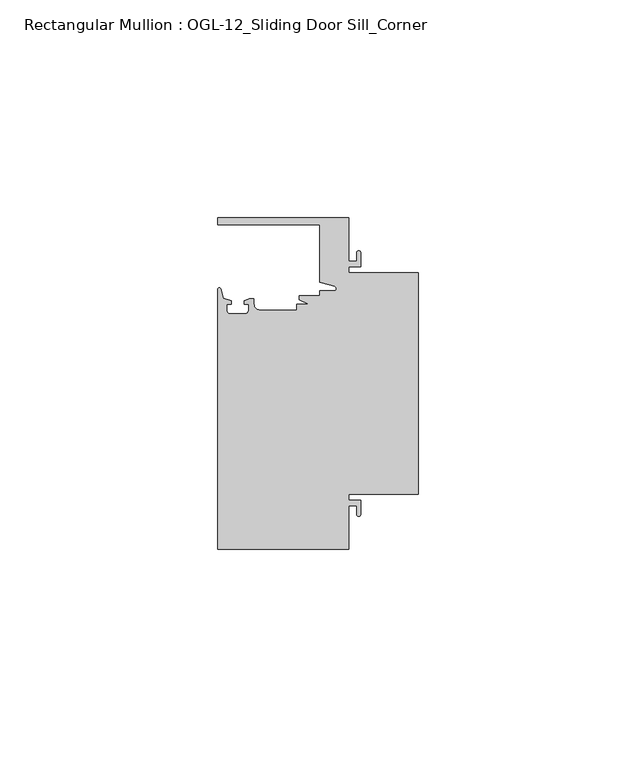
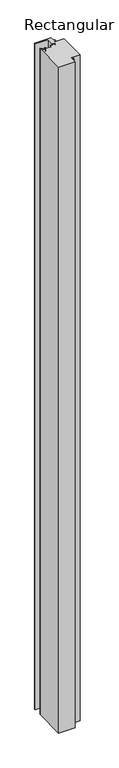
"""IFC4 building model written with IfcOpenShell, lengths in millimetres: member geometry, Rectangular Mullion : OGL-12_Sliding Door Sill_Corner."""

from ifc_helpers import new_model, si_unit, point, frame, frame_2d, origin, place, context, project, spatial, polyline, circle_curve, trimmed, segment, composite_curve, outline, extrude, source, transform, mapped, element, save


def rectangular_mullion_ogl_12_sliding_door_sill_corner_600ad383(model_context):
    return source(origin(), model_context, "Body", "SweptSolid", [
        extrude(outline(composite_curve([segment(polyline([(0.0, -4.7625), (0.0, -55.5625), (-15.934238, -55.5625), (-15.934238, -57.0104425), (-13.2417195, -57.0104425), (-13.2417195, -60.2053503)]), True, "CONTINUOUS"), segment(trimmed(circle_curve(frame_2d((-13.6974747, -60.2053503)), 0.4557552), [point((-13.2417195, -60.2053503))], [point((-14.15323, -60.2053503))], False, "CARTESIAN"), True, "CONTINUOUS"), segment(polyline([(-14.15323, -60.2053503), (-14.15323, -58.2169425), (-15.934238, -58.2169425), (-15.934238, -68.2628208), (-46.0931306, -68.2628208), (-46.0931306, -8.5365859)]), True, "CONTINUOUS"), segment(trimmed(circle_curve(frame_2d((-45.7573546, -8.5365859)), 0.335776), [point((-46.0931306, -8.5365859))], [point((-45.434586, -8.4440335))], False, "CARTESIAN"), True, "CONTINUOUS"), segment(polyline([(-45.434586, -8.4440335), (-44.83413, -10.5380726), (-43.0244711, -11.1260664), (-43.0244711, -11.9378256), (-44.0028338, -11.9378256), (-44.0028338, -13.3878227)]), True, "CONTINUOUS"), segment(trimmed(circle_curve(frame_2d((-43.2028354, -13.3878227)), 0.7999984), [point((-44.0028338, -13.3878227))], [point((-43.2028354, -14.1878211))], True, "CARTESIAN"), True, "CONTINUOUS"), segment(polyline([(-43.2028354, -14.1878211), (-39.8028422, -14.1878211)]), True, "CONTINUOUS"), segment(trimmed(circle_curve(frame_2d((-39.8028422, -13.3878227)), 0.7999984), [point((-39.8028422, -14.1878211))], [point((-39.0028438, -13.3878227))], True, "CARTESIAN"), True, "CONTINUOUS"), segment(polyline([(-39.0028438, -13.3878227), (-39.0028438, -11.9378256), (-39.9812066, -11.9378256), (-39.9812066, -11.0948795), (-38.8813571, -10.7133647), (-37.7528423, -10.6805611), (-37.7528423, -11.8825031)]), True, "CONTINUOUS"), segment(trimmed(circle_curve(frame_2d((-36.3386331, -11.8846104)), 1.4142107), [point((-37.7528423, -11.8825031))], [point((-36.3386331, -13.2988211))], True, "CARTESIAN"), True, "CONTINUOUS"), segment(polyline([(-36.3386331, -13.2988211), (-27.9268052, -13.2988211), (-27.9268052, -12.0119625), (-25.1995125, -12.0119625), (-27.2970068, -10.896705), (-27.2970068, -9.9460025), (-22.6027094, -9.9460025), (-22.6027094, -8.9088472), (-19.3562398, -8.9088472)]), True, "CONTINUOUS"), segment(trimmed(circle_curve(frame_2d((-19.3562398, -8.373424)), 0.5354233), [point((-19.3562398, -8.9088472))], [point((-19.2086572, -7.8587421))], True, "CARTESIAN"), True, "CONTINUOUS"), segment(polyline([(-19.2086572, -7.8587421), (-22.6260049, -6.8788334), (-22.6260049, 6.3496792), (-46.0931306, 6.3496792), (-46.0931306, 7.9371792), (-15.934238, 7.9371792), (-15.934238, -2.1086991), (-14.15323, -2.1086991), (-14.15323, -0.1196497)]), True, "CONTINUOUS"), segment(trimmed(circle_curve(frame_2d((-13.6974747, -0.1196497)), 0.4557552), [point((-14.15323, -0.1196497))], [point((-13.2417195, -0.1196497))], False, "CARTESIAN"), True, "CONTINUOUS"), segment(polyline([(-13.2417195, -0.1196497), (-13.2417195, -3.3151991), (-15.934238, -3.3151991), (-15.934238, -4.7625), (0.0, -4.7625)]), True, "CONTINUOUS")], self_intersect=False)), frame((0.0, 0.0, -1286.66875), z_axis=(0.0, 0.0, 1.0), x_axis=(1.0, 0.0, 0.0)), (0.0, 0.0, 1.0), 1286.66875),
    ])


if __name__ == "__main__":
    model = new_model("IFC4")
    model_context = context("Model", 3, world=origin())
    ifc_project = project(units=[si_unit("LENGTHUNIT", "METRE", prefix="MILLI")], contexts=[model_context])
    site = spatial("IfcSite", under=ifc_project)
    building = spatial("IfcBuilding", under=site)
    placement = place(None, origin())
    rectangular_mullion_ogl_12_sliding_door_sill_corner_shape = rectangular_mullion_ogl_12_sliding_door_sill_corner_600ad383(model_context)
    element("IfcMember", 1, ObjectType="Rectangular Mullion : OGL-12_Sliding Door Sill_Corner", at=placement, inside=building, context=model_context, shape_type="MappedRepresentation", body=[
        mapped(rectangular_mullion_ogl_12_sliding_door_sill_corner_shape, transform((0.0, 0.0, 0.0), x_axis=(1.0, 0.0, 0.0), y_axis=(0.0, 1.0, 0.0), z_axis=(0.0, 0.0, 1.0))),
    ])
    save(model, "model.ifc")
